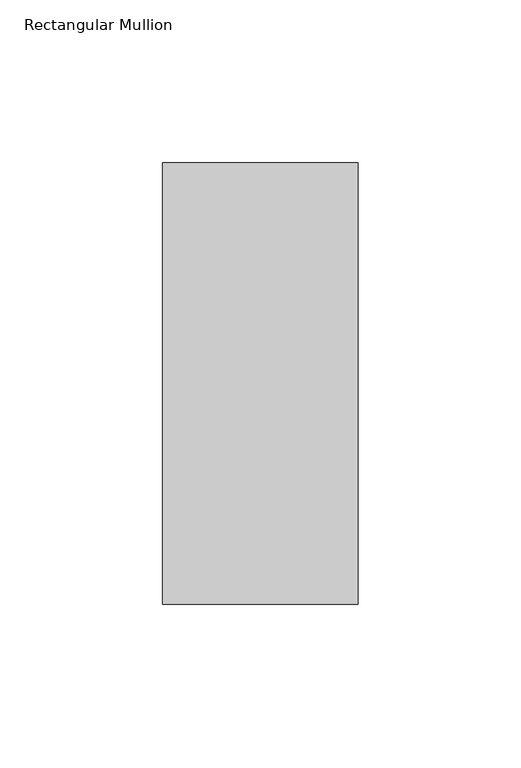
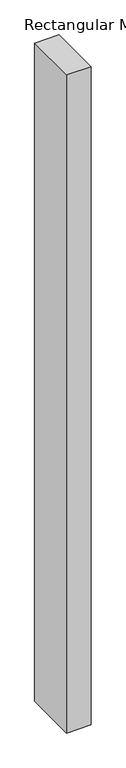
"""IFC4 building model written with IfcOpenShell, lengths in millimetres: member geometry, Rectangular Mullion."""

from ifc_helpers import new_model, si_unit, frame, origin, place, context, project, spatial, polyline, outline, extrude, source, transform, mapped, element, save


def rectangular_mullion_7cb6c3d3(model_context):
    return source(origin(), model_context, "Body", "SweptSolid", [
        extrude(outline(polyline([(30.0, 95.7), (30.0, -39.7), (-30.0, -39.7), (-30.0, 95.7), (30.0, 95.7)])), frame((0.0, 0.0, -1708.8912252), z_axis=(0.0, 0.0, 1.0), x_axis=(1.0, 0.0, 0.0)), (0.0, 0.0, 1.0), 1708.8912252),
    ])


if __name__ == "__main__":
    model = new_model("IFC4")
    model_context = context("Model", 3, world=origin())
    ifc_project = project(units=[si_unit("LENGTHUNIT", "METRE", prefix="MILLI")], contexts=[model_context])
    site = spatial("IfcSite", under=ifc_project)
    building = spatial("IfcBuilding", under=site)
    placement = place(None, origin())
    rectangular_mullion_shape = rectangular_mullion_7cb6c3d3(model_context)
    element("IfcMember", 1, ObjectType="Rectangular Mullion", at=placement, inside=building, context=model_context, shape_type="MappedRepresentation", body=[
        mapped(rectangular_mullion_shape, transform((0.0, 0.0, 0.0), x_axis=(1.0, 0.0, 0.0), y_axis=(0.0, 1.0, 0.0), z_axis=(0.0, 0.0, 1.0))),
    ])
    save(model, "model.ifc")
